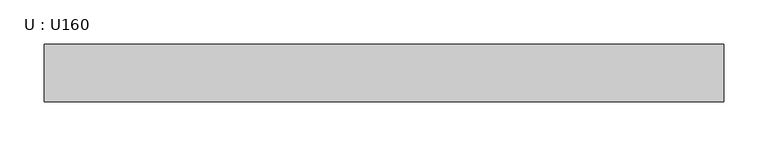
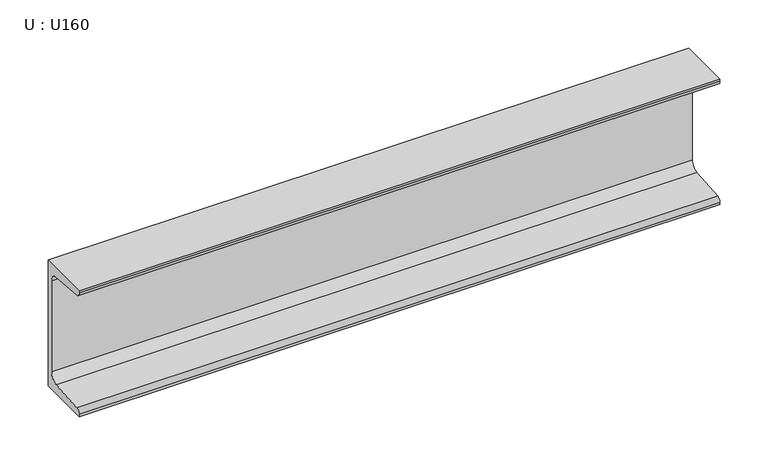
"""IFC4 building model written with IfcOpenShell, lengths in millimetres: beam geometry, U : U160."""

import ifcopenshell
import ifcopenshell.guid

model = None  # the IFC model being written
_history = None  # IfcOwnerHistory: only IFC2X3 demands one
_inside = {}  # id of a spatial element -> (the spatial element, [elements in it])
_under = {}  # id of a project, library or spatial element -> (it, [spatial elements below it])
_declared = {}  # id of a project -> (the project, [libraries it declares])
_typed = {}  # id of a type object -> (the type object, [elements of that type])
_made_of = {}  # id of a material, layer set ... -> (it, [elements and type objects made of it])


def new_model(schema):
    """Start an empty IFC model of exactly this schema.

    Asked for "IFC4X3", IfcOpenShell would pick the latest addendum, in which some entities
    have other attributes; the version numbers below select the first issue.
    IFC2X3 requires an IfcOwnerHistory on every rooted entity: one is made here for all.
    """
    global model, _history
    if schema == "IFC4X3":
        model = ifcopenshell.file(schema_version=(4, 3, 0, 0))
    else:
        model = ifcopenshell.file(schema=schema)
    _inside.clear()
    _under.clear()
    _declared.clear()
    _typed.clear()
    _made_of.clear()
    _history = None
    if model.schema == "IFC2X3":
        org = make("IfcOrganization", Name="unknown")
        user = make(
            "IfcPersonAndOrganization",
            ThePerson=make("IfcPerson", FamilyName="unknown"),
            TheOrganization=org,
        )
        app = make(
            "IfcApplication",
            ApplicationDeveloper=org,
            Version="unknown",
            ApplicationFullName="unknown",
            ApplicationIdentifier="unknown",
        )
        _history = make(
            "IfcOwnerHistory",
            OwningUser=user,
            OwningApplication=app,
            ChangeAction="ADDED",
            CreationDate=0,
        )
    return model


def make(cls, **values):
    """One entity of the class cls with the attributes given. An attribute that is None is left unset."""
    return model.create_entity(
        cls, **{name: value for name, value in values.items() if value is not None}
    )


def rooted(cls, **values):
    """An entity with a GlobalId (a new one), such as an element, a storey or a relation."""
    return make(cls, GlobalId=ifcopenshell.guid.new(), OwnerHistory=_history, **values)


def si_unit(unit_type, name, prefix=None):
    """IfcSIUnit, for example si_unit("LENGTHUNIT", "METRE", prefix="MILLI")."""
    return make("IfcSIUnit", UnitType=unit_type, Prefix=prefix, Name=name)


def assignment(units):
    """IfcUnitAssignment: the units of a project."""
    return None if units is None else make("IfcUnitAssignment", Units=units)


def point(xyz):
    """IfcCartesianPoint."""
    return None if xyz is None else make("IfcCartesianPoint", Coordinates=xyz)


def direction(xyz):
    """IfcDirection."""
    return None if xyz is None else make("IfcDirection", DirectionRatios=xyz)


def frame(location, z_axis=None, x_axis=None):
    """IfcAxis2Placement3D, a coordinate frame: its origin and axes. An axis left out is left unset."""
    return make(
        "IfcAxis2Placement3D",
        Location=point(location),
        Axis=direction(z_axis),
        RefDirection=direction(x_axis),
    )


def frame_2d(location, x_axis=None):
    """IfcAxis2Placement2D, a coordinate frame in the plane: its origin and x axis."""
    return make(
        "IfcAxis2Placement2D", Location=point(location), RefDirection=direction(x_axis)
    )


def origin():
    """The frame at (0, 0, 0) with its axes left unset."""
    return frame((0.0, 0.0, 0.0))


def place(relative_to, where):
    """IfcLocalPlacement: puts the frame where relative to a parent placement (None: the world)."""
    return make(
        "IfcLocalPlacement", PlacementRelTo=relative_to, RelativePlacement=where
    )


def context(
    kind, dimensions, precision=None, world=None, true_north=None, identifier=None
):
    """IfcGeometricRepresentationContext, for example the 3D "Model" context."""
    return make(
        "IfcGeometricRepresentationContext",
        ContextIdentifier=identifier,
        ContextType=kind,
        CoordinateSpaceDimension=dimensions,
        Precision=precision,
        WorldCoordinateSystem=world,
        TrueNorth=true_north,
    )


def project(units=None, contexts=None):
    """IfcProject with its units and contexts."""
    return rooted(
        "IfcProject",
        Name="project",
        RepresentationContexts=contexts,
        UnitsInContext=assignment(units),
    )


def spatial(cls, under=None, at=None, **own):
    """A site, building, storey or space (cls), placed at a placement, below another one or the project."""
    s = rooted(cls, ObjectPlacement=at, **own)
    if under is not None:
        _under.setdefault(under.id(), (under, []))[1].append(s)
    return s


def polyline(points):
    """IfcPolyline through the points."""
    return make("IfcPolyline", Points=[point(p) for p in points])


def circle_curve(where, radius):
    """IfcCircle in the frame where."""
    return make("IfcCircle", Position=where, Radius=radius)


def trimmed(basis, trim1, trim2, sense, master):
    """IfcTrimmedCurve: the piece of a basis curve between two trims."""
    return make(
        "IfcTrimmedCurve",
        BasisCurve=basis,
        Trim1=trim1,
        Trim2=trim2,
        SenseAgreement=sense,
        MasterRepresentation=master,
    )


def segment(curve, same_sense, transition):
    """IfcCompositeCurveSegment."""
    return make(
        "IfcCompositeCurveSegment",
        Transition=transition,
        SameSense=same_sense,
        ParentCurve=curve,
    )


def composite_curve(segments, self_intersect=None):
    """IfcCompositeCurve: segments joined end to end."""
    return make("IfcCompositeCurve", Segments=segments, SelfIntersect=self_intersect)


def outline(outer, holes=None, kind="AREA"):
    """IfcArbitraryClosedProfileDef: a profile drawn as a closed curve; with holes, ...WithVoids."""
    if holes is None:
        return make("IfcArbitraryClosedProfileDef", ProfileType=kind, OuterCurve=outer)
    return make(
        "IfcArbitraryProfileDefWithVoids",
        ProfileType=kind,
        OuterCurve=outer,
        InnerCurves=holes,
    )


def extrude(swept, where, along, depth):
    """IfcExtrudedAreaSolid: the profile swept, set in the frame where, extruded along a direction by depth."""
    return make(
        "IfcExtrudedAreaSolid",
        SweptArea=swept,
        Position=where,
        ExtrudedDirection=direction(along),
        Depth=depth,
    )


def shape(context_of_items, identifier, shape_type, items):
    """IfcShapeRepresentation: the items that make up one representation, for example the "Body"."""
    return make(
        "IfcShapeRepresentation",
        ContextOfItems=context_of_items,
        RepresentationIdentifier=identifier,
        RepresentationType=shape_type,
        Items=items,
    )


def source(mapping_origin, context_of_items, identifier, shape_type, items):
    """IfcRepresentationMap: a shape defined once, which mapped items show again and again."""
    return make(
        "IfcRepresentationMap",
        MappingOrigin=mapping_origin,
        MappedRepresentation=shape(context_of_items, identifier, shape_type, items),
    )


def transform(
    local_origin,
    x_axis=None,
    y_axis=None,
    z_axis=None,
    scale=None,
    scale2=None,
    scale3=None,
    uniform=True,
):
    """IfcCartesianTransformationOperator3D, or its non-uniform kind. x_axis, y_axis, z_axis: its Axis1, 2, 3."""
    if uniform:
        return make(
            "IfcCartesianTransformationOperator3D",
            Axis1=direction(x_axis),
            Axis2=direction(y_axis),
            LocalOrigin=point(local_origin),
            Scale=scale,
            Axis3=direction(z_axis),
        )
    return make(
        "IfcCartesianTransformationOperator3DnonUniform",
        Axis1=direction(x_axis),
        Axis2=direction(y_axis),
        LocalOrigin=point(local_origin),
        Scale=scale,
        Axis3=direction(z_axis),
        Scale2=scale2,
        Scale3=scale3,
    )


def mapped(mapping_source, mapping_target):
    """IfcMappedItem: shows the shape of a source again, moved by a transform."""
    return make(
        "IfcMappedItem", MappingSource=mapping_source, MappingTarget=mapping_target
    )


def made_of(thing, what):
    """Note that an element or type object is made of a material, layer set ...; save() writes the relation."""
    if what is not None:
        _made_of.setdefault(what.id(), (what, []))[1].append(thing)
    return thing


def element(
    cls,
    number,
    at=None,
    inside=None,
    cuts=None,
    type_object=None,
    material=None,
    context=None,
    identifier="Body",
    shape_type=None,
    held_by="IfcProductDefinitionShape",
    body=None,
    shapes=None,
    **own,
):
    """One element of the class cls, such as IfcWall. Its Tag is "e" and its number.

    at: its placement. inside: the storey or other place that contains it. cuts: it is an
    opening in that element (IfcRelVoidsElement). A single representation is given by context,
    identifier, shape_type and body (its items); several are given by shapes. held_by: the class
    of the entity that holds the representations. save() writes the other relations.
    """
    e = rooted(cls, Tag="e%d" % number, ObjectPlacement=at, **own)
    if body is not None:
        shapes = [shape(context, identifier, shape_type, body)]
    if shapes is not None:
        e.Representation = make(held_by, Representations=shapes)
    if inside is not None:
        _inside.setdefault(inside.id(), (inside, []))[1].append(e)
    if cuts is not None:
        rooted(
            "IfcRelVoidsElement", RelatingBuildingElement=cuts, RelatedOpeningElement=e
        )
    if type_object is not None:
        _typed.setdefault(type_object.id(), (type_object, []))[1].append(e)
    return made_of(e, material)


def aggregate(whole, parts):
    """IfcRelAggregates: a whole, such as a stair, and the parts it consists of."""
    return rooted("IfcRelAggregates", RelatingObject=whole, RelatedObjects=parts)


def save(model, path):
    """Write the relations noted so far, then the file.

    IfcRelAggregates (storeys below a building ...), IfcRelContainedInSpatialStructure (elements
    in a storey), IfcRelDefinesByType, IfcRelAssociatesMaterial and IfcRelDeclares: one each for
    every whole, place, type object, material and project.
    """
    for whole, parts in _under.values():
        aggregate(whole, parts)
    for where, things in _inside.values():
        rooted(
            "IfcRelContainedInSpatialStructure",
            RelatedElements=things,
            RelatingStructure=where,
        )
    for kind, things in _typed.values():
        rooted("IfcRelDefinesByType", RelatedObjects=things, RelatingType=kind)
    for what, things in _made_of.values():
        rooted("IfcRelAssociatesMaterial", RelatedObjects=things, RelatingMaterial=what)
    for by, libraries in _declared.values():
        rooted("IfcRelDeclares", RelatingContext=by, RelatedDefinitions=libraries)
    model.write(path)


def u_u160_129bf929(model_context):
    return source(origin(), model_context, "Body", "SweptSolid", [
        extrude(outline(composite_curve([segment(polyline([(18.4, 80.0), (18.4, -80.0), (-46.6, -80.0), (-46.6, -77.1756821)]), True, "CONTINUOUS"), segment(trimmed(circle_curve(frame_2d((-41.1, -77.1756821)), 5.5), [point((-46.6, -77.1756821))], [point((-41.5382235, -71.693168))], False, "CARTESIAN"), True, "CONTINUOUS"), segment(polyline([(-41.5382235, -71.693168), (1.2366085, -68.2741277)]), True, "CONTINUOUS"), segment(trimmed(circle_curve(frame_2d((0.4, -57.8075099)), 10.5), [point((1.2366085, -68.2741277))], [point((10.9, -57.8075099))], True, "CARTESIAN"), True, "CONTINUOUS"), segment(polyline([(10.9, -57.8075099), (10.9, 57.8075099)]), True, "CONTINUOUS"), segment(trimmed(circle_curve(frame_2d((0.4, 57.8075099)), 10.5), [point((10.9, 57.8075099))], [point((1.2366085, 68.2741277))], True, "CARTESIAN"), True, "CONTINUOUS"), segment(polyline([(1.2366085, 68.2741277), (-41.5382235, 71.693168)]), True, "CONTINUOUS"), segment(trimmed(circle_curve(frame_2d((-41.1, 77.1756821)), 5.5), [point((-41.5382235, 71.693168))], [point((-46.6, 77.1756821))], False, "CARTESIAN"), True, "CONTINUOUS"), segment(polyline([(-46.6, 77.1756821), (-46.6, 80.0), (18.4, 80.0)]), True, "CONTINUOUS")], self_intersect=False)), frame((-384.9999855, 0.0, 0.0), z_axis=(1.0, 0.0, 0.0), x_axis=(0.0, 1.0, 0.0)), (0.0, 0.0, 1.0), 770.0000161),
    ])


if __name__ == "__main__":
    model = new_model("IFC4")
    model_context = context("Model", 3, world=origin())
    ifc_project = project(units=[si_unit("LENGTHUNIT", "METRE", prefix="MILLI")], contexts=[model_context])
    site = spatial("IfcSite", under=ifc_project)
    building = spatial("IfcBuilding", under=site)
    placement = place(None, origin())
    u_u160_shape = u_u160_129bf929(model_context)
    element("IfcBeam", 1, ObjectType="U : U160", at=placement, inside=building, context=model_context, shape_type="MappedRepresentation", body=[
        mapped(u_u160_shape, transform((0.0, 0.0, 0.0), x_axis=(1.0, 0.0, 0.0), y_axis=(0.0, 1.0, 0.0), z_axis=(0.0, 0.0, 1.0))),
    ])
    save(model, "model.ifc")
